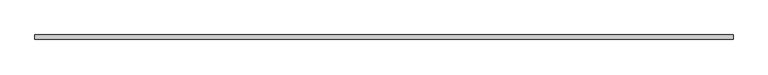
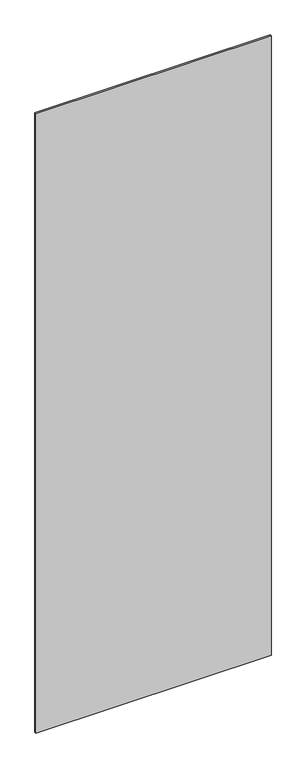
"""IFC4 building model written with IfcOpenShell, lengths in millimetres: plate geometry."""

from ifc_helpers import new_model, si_unit, origin, origin_with_axes, place, context, project, spatial, polyline, outline, extrude, source, transform, mapped, element, save


def plate_1130d868(model_context):
    return source(origin(), model_context, "Body", "SweptSolid", [
        extrude(outline(polyline([(783.3743782, -5.0), (-783.3743782, -5.0), (-783.3743782, 5.0), (783.3743782, 5.0), (783.3743782, -5.0)])), origin_with_axes(), (0.0, 0.0, 1.0), 4360.0),
    ])


if __name__ == "__main__":
    model = new_model("IFC4")
    model_context = context("Model", 3, world=origin())
    ifc_project = project(units=[si_unit("LENGTHUNIT", "METRE", prefix="MILLI")], contexts=[model_context])
    site = spatial("IfcSite", under=ifc_project)
    building = spatial("IfcBuilding", under=site)
    placement = place(None, origin())
    plate_shape = plate_1130d868(model_context)
    element("IfcPlate", 1, at=placement, inside=building, context=model_context, shape_type="MappedRepresentation", body=[
        mapped(plate_shape, transform((0.0, 0.0, 0.0), x_axis=(1.0, 0.0, 0.0), y_axis=(0.0, 1.0, 0.0), z_axis=(0.0, 0.0, 1.0))),
    ])
    save(model, "model.ifc")
